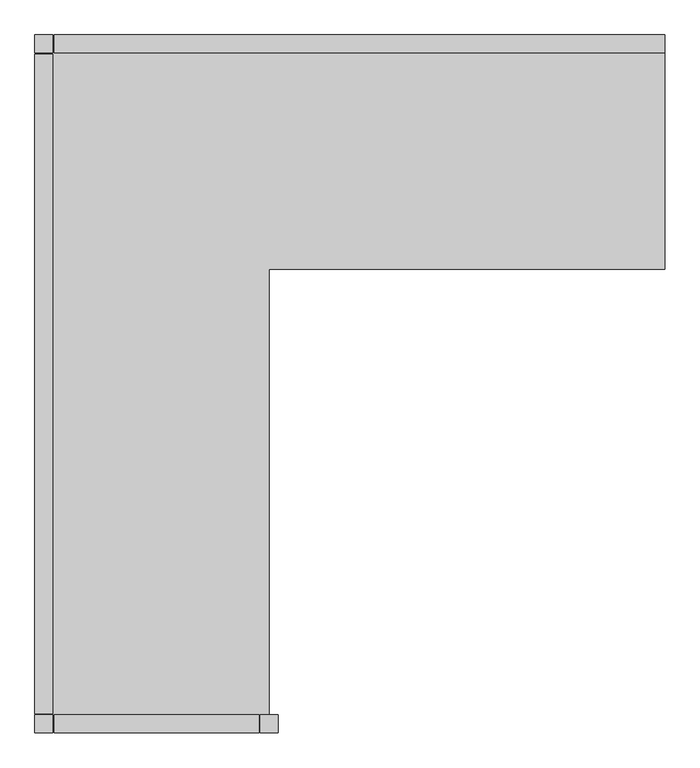
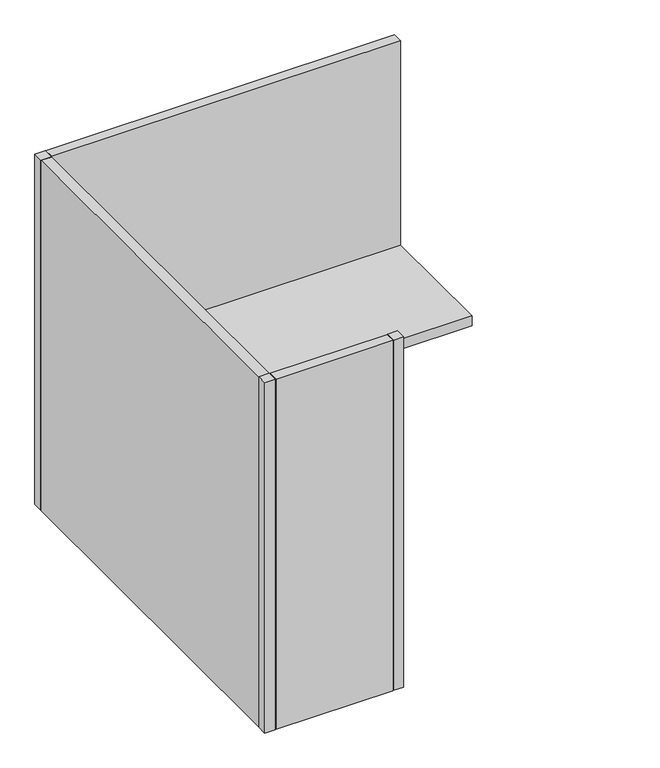
"""IFC4 building model written with IfcOpenShell, lengths in millimetres: furniture geometry."""

from ifc_helpers import new_model, si_unit, frame, origin, origin_with_axes, place, context, project, spatial, polyline, outline, extrude, source, transform, mapped, element, save


def furniture_3dbfd571(model_context):
    return source(origin(), model_context, "Body", "SweptSolid", [
        extrude(outline(polyline([(-1778.0, -50.8), (-1828.8, -50.8), (-1828.8, 0.0), (-1778.0, 0.0), (-1778.0, -50.8)])), origin_with_axes(), (0.0, 0.0, 1.0), 1828.8),
        extrude(outline(polyline([(-1778.1048561, -1967.7491027), (-1828.9048561, -1967.7491027), (-1828.9048561, -1916.9491027), (-1778.1048561, -1916.9491027), (-1778.1048561, -1967.7491027)])), origin_with_axes(), (0.0, 0.0, 1.0), 1828.8),
        extrude(outline(polyline([(-1143.1048561, -1967.7491027), (-1193.9048561, -1967.7491027), (-1193.9048561, -1916.9491027), (-1143.1048561, -1916.9491027), (-1143.1048561, -1967.7491027)])), origin_with_axes(), (0.0, 0.0, 1.0), 1828.8),
        extrude(outline(polyline([(-1168.4, -1917.6581878), (-1778.0, -1917.6581878), (-1778.0, -50.8), (-50.8, -50.8), (-50.8, -660.4), (-1168.4, -660.4), (-1168.4, -1917.6581878)])), frame((0.0, 0.0, 711.2), z_axis=(0.0, 0.0, 1.0), x_axis=(1.0, 0.0, 0.0)), (0.0, 0.0, 1.0), 50.8),
        extrude(outline(polyline([(-1196.975, -1968.4581878), (-1774.825, -1968.4581878), (-1774.825, -1917.6581878), (-1196.975, -1917.6581878), (-1196.975, -1968.4581878)])), origin_with_axes(), (0.0, 0.0, 1.0), 1828.8),
        extrude(outline(polyline([(-1828.8, -1914.4831878), (-1828.8, -53.975), (-1778.0, -53.975), (-1778.0, -1914.4831878), (-1828.8, -1914.4831878)])), origin_with_axes(), (0.0, 0.0, 1.0), 1828.8),
        extrude(outline(polyline([(-1774.825, 0.0), (-50.8, 0.0), (-50.8, -50.8), (-1774.825, -50.8), (-1774.825, 0.0)])), origin_with_axes(), (0.0, 0.0, 1.0), 1828.8),
    ])


if __name__ == "__main__":
    model = new_model("IFC4")
    model_context = context("Model", 3, world=origin())
    ifc_project = project(units=[si_unit("LENGTHUNIT", "METRE", prefix="MILLI")], contexts=[model_context])
    site = spatial("IfcSite", under=ifc_project)
    building = spatial("IfcBuilding", under=site)
    placement = place(None, origin())
    furniture_shape = furniture_3dbfd571(model_context)
    element("IfcFurniture", 1, at=placement, inside=building, context=model_context, shape_type="MappedRepresentation", body=[
        mapped(furniture_shape, transform((0.0, 0.0, 0.0), x_axis=(1.0, 0.0, 0.0), y_axis=(0.0, 1.0, 0.0), z_axis=(0.0, 0.0, 1.0))),
    ])
    save(model, "model.ifc")
